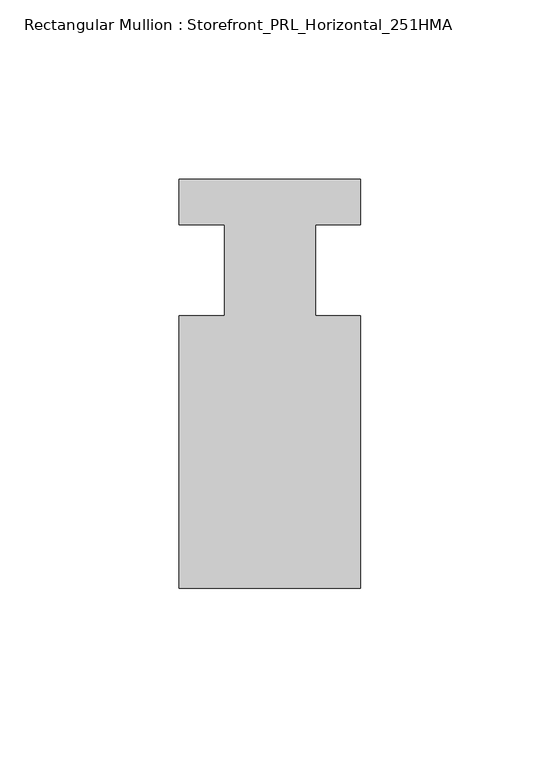
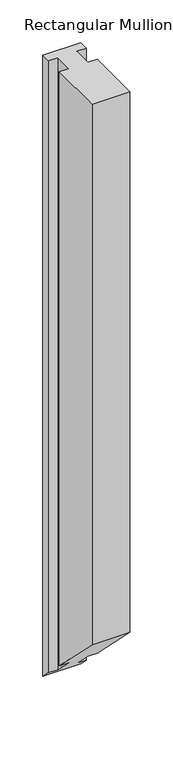
"""IFC4 building model written with IfcOpenShell, lengths in millimetres: member geometry, Rectangular Mullion : Storefront_PRL_Horizontal_251HMA."""

from ifc_helpers import new_model, si_unit, origin, place, context, project, spatial, faceted_brep, source, transform, mapped, element, save


def rectangular_mullion_storefront_prl_horizontal_251hma_903b8e6f(model_context):
    return source(origin(), model_context, "Body", "Brep", [
        faceted_brep([(-12.7, -12.7, 0.0), (-25.4, -12.7, 0.0), (-25.4, -88.9, 0.0), (25.4, -88.9, 0.0), (25.4, -12.7, 0.0), (12.7, -12.7, 0.0), (12.7, 12.7, 0.0), (25.4, 12.7, 0.0), (25.4, 25.4, 0.0), (-25.4, 25.4, 0.0), (-25.4, 12.7, 0.0), (-12.7, 12.7, 0.0), (-12.7, -12.7, -844.55), (-25.4, -12.7, -844.55), (-25.4, -88.9, -768.35), (25.4, -88.9, -768.35), (25.4, -12.7, -844.55), (12.7, -12.7, -844.55), (12.7, 12.7, -869.95), (25.4, 12.7, -869.95), (25.4, 25.4, -882.65), (-25.4, 25.4, -882.65), (-25.4, 12.7, -869.95), (-12.7, 12.7, -869.95)], [[[0, 1, 2, 3, 4, 5, 6, 7, 8, 9, 10, 11]], [[1, 0, 12, 13]], [[2, 1, 13, 14]], [[3, 2, 14, 15]], [[4, 3, 15, 16]], [[5, 4, 16, 17]], [[6, 5, 17, 18]], [[7, 6, 18, 19]], [[8, 7, 19, 20]], [[9, 8, 20, 21]], [[10, 9, 21, 22]], [[11, 10, 22, 23]], [[0, 11, 23, 12]], [[12, 23, 22, 21, 20, 19, 18, 17, 16, 15, 14, 13]]]),
    ])


if __name__ == "__main__":
    model = new_model("IFC4")
    model_context = context("Model", 3, world=origin())
    ifc_project = project(units=[si_unit("LENGTHUNIT", "METRE", prefix="MILLI")], contexts=[model_context])
    site = spatial("IfcSite", under=ifc_project)
    building = spatial("IfcBuilding", under=site)
    placement = place(None, origin())
    rectangular_mullion_storefront_prl_horizontal_251hma_shape = rectangular_mullion_storefront_prl_horizontal_251hma_903b8e6f(model_context)
    element("IfcMember", 1, ObjectType="Rectangular Mullion : Storefront_PRL_Horizontal_251HMA", at=placement, inside=building, context=model_context, shape_type="MappedRepresentation", body=[
        mapped(rectangular_mullion_storefront_prl_horizontal_251hma_shape, transform((0.0, 0.0, 0.0), x_axis=(1.0, 0.0, 0.0), y_axis=(0.0, 1.0, 0.0), z_axis=(0.0, 0.0, 1.0))),
    ])
    save(model, "model.ifc")
